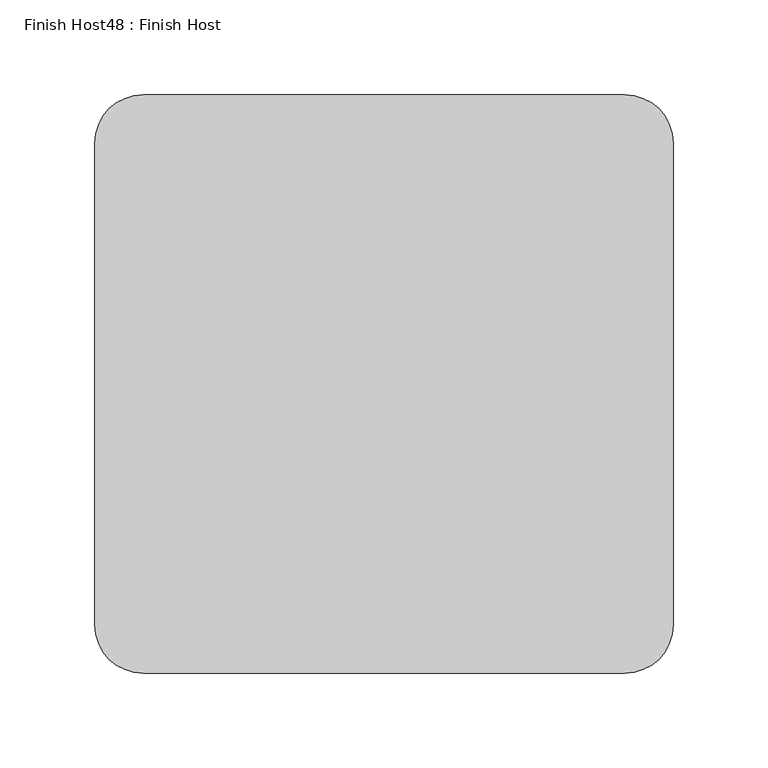
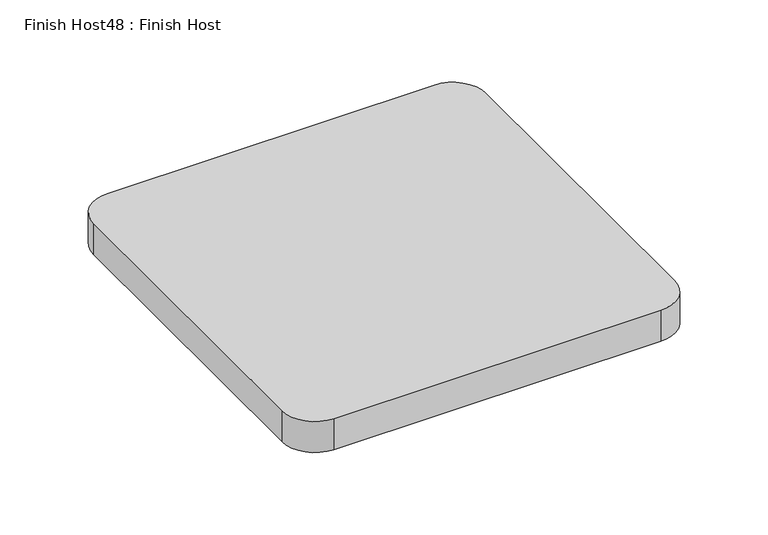
"""IFC4 building model written with IfcOpenShell, lengths in millimetres: proxy geometry, Finish Host48 : Finish Host."""

from ifc_helpers import new_model, si_unit, point, frame_2d, origin, origin_with_axes, place, context, project, spatial, polyline, circle_curve, trimmed, segment, composite_curve, outline, extrude, source, transform, mapped, element, save


def finish_host48_finish_host_e7a341e6(model_context):
    return source(origin(), model_context, "Body", "SweptSolid", [
        extrude(outline(composite_curve([segment(polyline([(5356.6934426, 1206.8122951), (5356.6934426, 1460.8122951)]), True, "CONTINUOUS"), segment(trimmed(circle_curve(frame_2d((5382.0934426, 1460.8122951)), 25.4), [point((5356.6934426, 1460.8122951))], [point((5382.0934426, 1486.2122951))], False, "CARTESIAN"), True, "CONTINUOUS"), segment(polyline([(5382.0934426, 1486.2122951), (5636.0934426, 1486.2122951)]), True, "CONTINUOUS"), segment(trimmed(circle_curve(frame_2d((5636.0934426, 1460.8122951)), 25.4), [point((5636.0934426, 1486.2122951))], [point((5661.4934426, 1460.8122951))], False, "CARTESIAN"), True, "CONTINUOUS"), segment(polyline([(5661.4934426, 1460.8122951), (5661.4934426, 1206.8122951)]), True, "CONTINUOUS"), segment(trimmed(circle_curve(frame_2d((5636.0934426, 1206.8122951)), 25.4), [point((5661.4934426, 1206.8122951))], [point((5636.0934426, 1181.4122951))], False, "CARTESIAN"), True, "CONTINUOUS"), segment(polyline([(5636.0934426, 1181.4122951), (5382.0934426, 1181.4122951)]), True, "CONTINUOUS"), segment(trimmed(circle_curve(frame_2d((5382.0934426, 1206.8122951)), 25.4), [point((5382.0934426, 1181.4122951))], [point((5356.6934426, 1206.8122951))], False, "CARTESIAN"), True, "CONTINUOUS")], self_intersect=False)), origin_with_axes(), (0.0, 0.0, 1.0), 25.4),
    ])


if __name__ == "__main__":
    model = new_model("IFC4")
    model_context = context("Model", 3, world=origin())
    ifc_project = project(units=[si_unit("LENGTHUNIT", "METRE", prefix="MILLI")], contexts=[model_context])
    site = spatial("IfcSite", under=ifc_project)
    building = spatial("IfcBuilding", under=site)
    placement = place(None, origin())
    finish_host48_finish_host_shape = finish_host48_finish_host_e7a341e6(model_context)
    element("IfcBuildingElementProxy", 1, Name="Finish Host48 : Finish Host", ObjectType="Finish Host48 : Finish Host", at=placement, inside=building, context=model_context, shape_type="MappedRepresentation", body=[
        mapped(finish_host48_finish_host_shape, transform((0.0, 0.0, 0.0), x_axis=(1.0, 0.0, 0.0), y_axis=(0.0, 1.0, 0.0), z_axis=(0.0, 0.0, 1.0))),
    ])
    save(model, "model.ifc")
